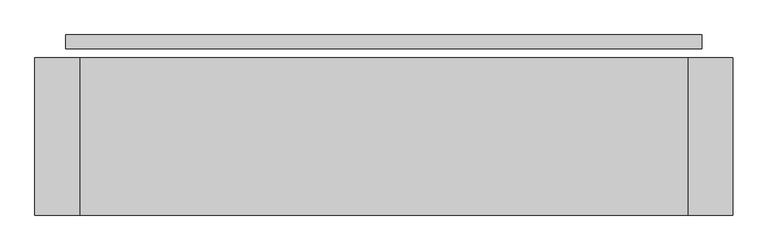
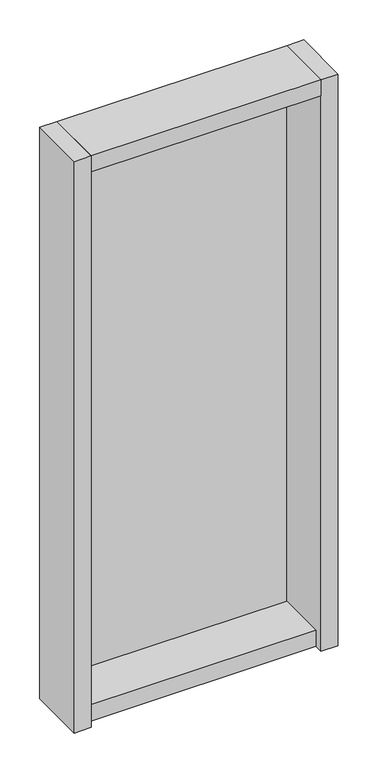
"""IFC4 building model written with IfcOpenShell, lengths in millimetres: plate geometry."""

from ifc_helpers import new_model, si_unit, frame, origin, origin_with_axes, place, context, project, spatial, polyline, outline, extrude, source, transform, mapped, element, save


def plate_ab3617e4(model_context):
    return source(origin(), model_context, "Body", "SweptSolid", [
        extrude(outline(polyline([(566.0, 0.0), (566.0, -25.0), (-566.0, -25.0), (-566.0, 0.0), (566.0, 0.0)])), origin_with_axes(), (0.0, 0.0, 1.0), 2732.0),
        extrude(outline(polyline([(-541.0, -41.0), (-541.0, -321.0), (-621.0, -321.0), (-621.0, -41.0), (-541.0, -41.0)])), frame((0.0, 0.0, -55.0), z_axis=(0.0, 0.0, 1.0), x_axis=(1.0, 0.0, 0.0)), (0.0, 0.0, 1.0), 2842.0),
        extrude(outline(polyline([(541.0, -281.0), (-541.0, -281.0), (-541.0, -41.0), (541.0, -41.0), (541.0, -281.0)])), frame((0.0, 0.0, -55.0), z_axis=(0.0, 0.0, 1.0), x_axis=(1.0, 0.0, 0.0)), (0.0, 0.0, 1.0), 80.0),
        extrude(outline(polyline([(541.0, -41.0), (541.0, -321.0), (-541.0, -321.0), (-541.0, -41.0), (541.0, -41.0)])), frame((0.0, 0.0, 2707.0), z_axis=(0.0, 0.0, 1.0), x_axis=(1.0, 0.0, 0.0)), (0.0, 0.0, 1.0), 80.0),
        extrude(outline(polyline([(621.0, -41.0), (621.0, -321.0), (541.0, -321.0), (541.0, -41.0), (621.0, -41.0)])), frame((0.0, 0.0, -55.0), z_axis=(0.0, 0.0, 1.0), x_axis=(1.0, 0.0, 0.0)), (0.0, 0.0, 1.0), 2842.0),
    ])


if __name__ == "__main__":
    model = new_model("IFC4")
    model_context = context("Model", 3, world=origin())
    ifc_project = project(units=[si_unit("LENGTHUNIT", "METRE", prefix="MILLI")], contexts=[model_context])
    site = spatial("IfcSite", under=ifc_project)
    building = spatial("IfcBuilding", under=site)
    placement = place(None, origin())
    plate_shape = plate_ab3617e4(model_context)
    element("IfcPlate", 1, at=placement, inside=building, context=model_context, shape_type="MappedRepresentation", body=[
        mapped(plate_shape, transform((0.0, 0.0, 0.0), x_axis=(1.0, 0.0, 0.0), y_axis=(0.0, 1.0, 0.0), z_axis=(0.0, 0.0, 1.0))),
    ])
    save(model, "model.ifc")
